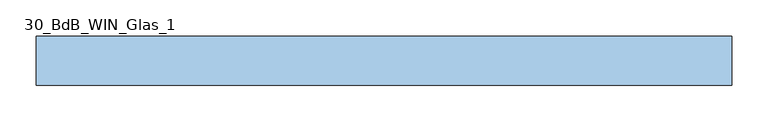
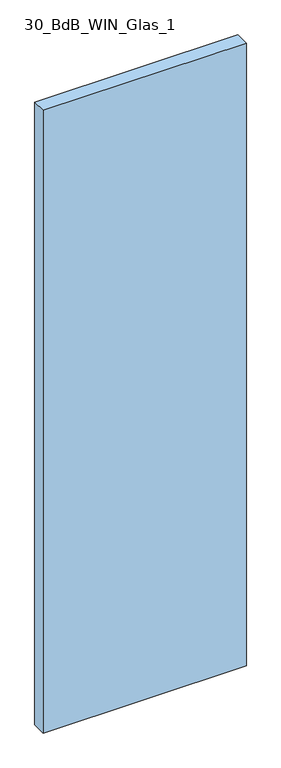
"""IFC4 building model written with IfcOpenShell, lengths in millimetres: window geometry, 30_BdB_WIN_Glas_1."""

from ifc_helpers import new_model, si_unit, origin, origin_with_axes, place, context, project, spatial, polyline, outline, extrude, source, transform, mapped, element, save


def window_30_bdb_win_glas_1_107ac231(model_context):
    return source(origin(), model_context, "Body", "SweptSolid", [
        extrude(outline(polyline([(-480.5, 0.0), (480.5, 0.0), (480.5, -68.0), (-480.5, -68.0), (-480.5, 0.0)])), origin_with_axes(), (0.0, 0.0, 1.0), 3111.0),
    ])


if __name__ == "__main__":
    model = new_model("IFC4")
    model_context = context("Model", 3, world=origin())
    ifc_project = project(units=[si_unit("LENGTHUNIT", "METRE", prefix="MILLI")], contexts=[model_context])
    site = spatial("IfcSite", under=ifc_project)
    building = spatial("IfcBuilding", under=site)
    placement = place(None, origin())
    window_30_bdb_win_glas_1_shape = window_30_bdb_win_glas_1_107ac231(model_context)
    element("IfcWindow", 1, ObjectType="30_BdB_WIN_Glas_1", at=placement, inside=building, context=model_context, shape_type="MappedRepresentation", body=[
        mapped(window_30_bdb_win_glas_1_shape, transform((0.0, 0.0, 0.0), x_axis=(1.0, 0.0, 0.0), y_axis=(0.0, 1.0, 0.0), z_axis=(0.0, 0.0, 1.0))),
    ])
    save(model, "model.ifc")
